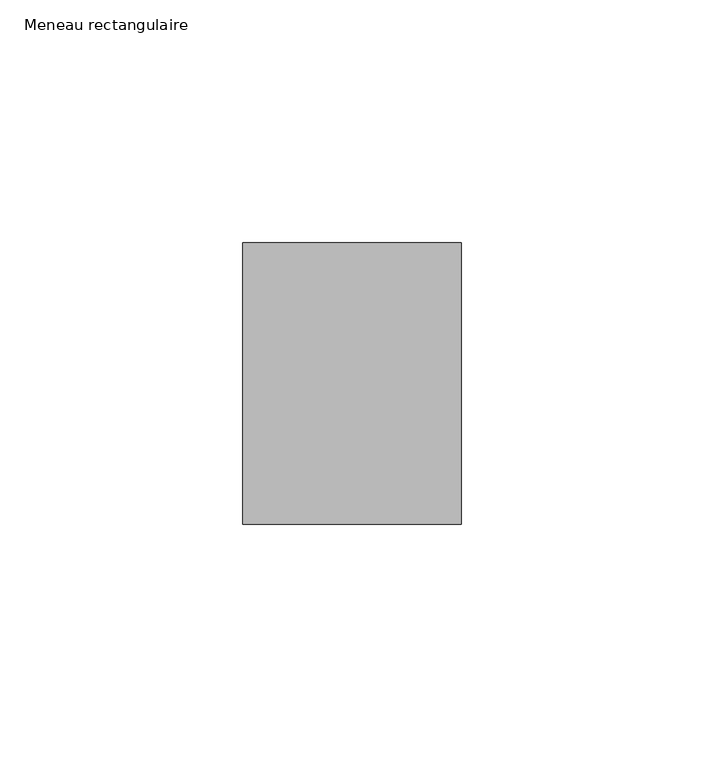
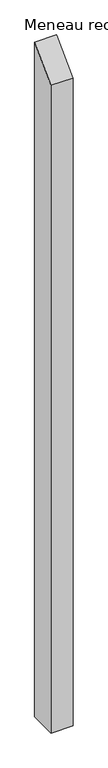
"""IFC4 building model written with IfcOpenShell, lengths in millimetres: member geometry, Meneau rectangulaire."""

from ifc_helpers import new_model, si_unit, frame, origin, place, context, project, spatial, polyline, outline, extrude, source, transform, mapped, element, save


def meneau_rectangulaire_dcdd28f4(model_context):
    return source(origin(), model_context, "Body", "SweptSolid", [
        extrude(outline(polyline([(-29.0, -29.0), (29.0, 29.0), (29.0, -1423.7500002), (-29.0, -1423.7500002), (-29.0, -29.0)])), frame((-45.0, 0.0, 0.0), z_axis=(1.0, 0.0, 0.0), x_axis=(0.0, 1.0, 0.0)), (0.0, 0.0, 1.0), 45.0),
    ])


if __name__ == "__main__":
    model = new_model("IFC4")
    model_context = context("Model", 3, world=origin())
    ifc_project = project(units=[si_unit("LENGTHUNIT", "METRE", prefix="MILLI")], contexts=[model_context])
    site = spatial("IfcSite", under=ifc_project)
    building = spatial("IfcBuilding", under=site)
    placement = place(None, origin())
    meneau_rectangulaire_shape = meneau_rectangulaire_dcdd28f4(model_context)
    element("IfcMember", 1, ObjectType="Meneau rectangulaire", at=placement, inside=building, context=model_context, shape_type="MappedRepresentation", body=[
        mapped(meneau_rectangulaire_shape, transform((0.0, 0.0, 0.0), x_axis=(1.0, 0.0, 0.0), y_axis=(0.0, 1.0, 0.0), z_axis=(0.0, 0.0, 1.0))),
    ])
    save(model, "model.ifc")
